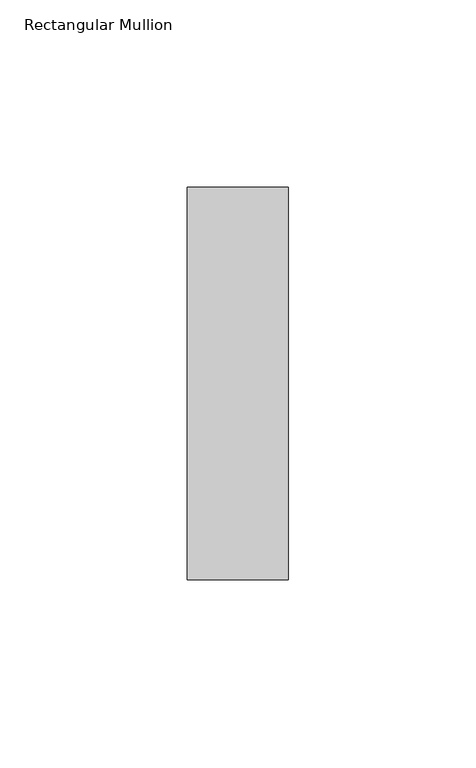
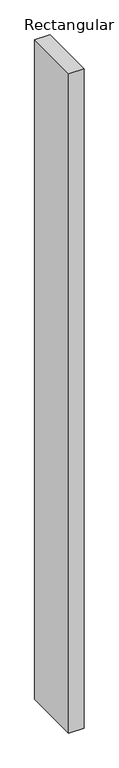
"""IFC4 building model written with IfcOpenShell, lengths in millimetres: member geometry, Rectangular Mullion."""

import ifcopenshell
import ifcopenshell.guid

model = None  # the IFC model being written
_history = None  # IfcOwnerHistory: only IFC2X3 demands one
_inside = {}  # id of a spatial element -> (the spatial element, [elements in it])
_under = {}  # id of a project, library or spatial element -> (it, [spatial elements below it])
_declared = {}  # id of a project -> (the project, [libraries it declares])
_typed = {}  # id of a type object -> (the type object, [elements of that type])
_made_of = {}  # id of a material, layer set ... -> (it, [elements and type objects made of it])


def new_model(schema):
    """Start an empty IFC model of exactly this schema.

    Asked for "IFC4X3", IfcOpenShell would pick the latest addendum, in which some entities
    have other attributes; the version numbers below select the first issue.
    IFC2X3 requires an IfcOwnerHistory on every rooted entity: one is made here for all.
    """
    global model, _history
    if schema == "IFC4X3":
        model = ifcopenshell.file(schema_version=(4, 3, 0, 0))
    else:
        model = ifcopenshell.file(schema=schema)
    _inside.clear()
    _under.clear()
    _declared.clear()
    _typed.clear()
    _made_of.clear()
    _history = None
    if model.schema == "IFC2X3":
        org = make("IfcOrganization", Name="unknown")
        user = make(
            "IfcPersonAndOrganization",
            ThePerson=make("IfcPerson", FamilyName="unknown"),
            TheOrganization=org,
        )
        app = make(
            "IfcApplication",
            ApplicationDeveloper=org,
            Version="unknown",
            ApplicationFullName="unknown",
            ApplicationIdentifier="unknown",
        )
        _history = make(
            "IfcOwnerHistory",
            OwningUser=user,
            OwningApplication=app,
            ChangeAction="ADDED",
            CreationDate=0,
        )
    return model


def make(cls, **values):
    """One entity of the class cls with the attributes given. An attribute that is None is left unset."""
    return model.create_entity(
        cls, **{name: value for name, value in values.items() if value is not None}
    )


def rooted(cls, **values):
    """An entity with a GlobalId (a new one), such as an element, a storey or a relation."""
    return make(cls, GlobalId=ifcopenshell.guid.new(), OwnerHistory=_history, **values)


def si_unit(unit_type, name, prefix=None):
    """IfcSIUnit, for example si_unit("LENGTHUNIT", "METRE", prefix="MILLI")."""
    return make("IfcSIUnit", UnitType=unit_type, Prefix=prefix, Name=name)


def assignment(units):
    """IfcUnitAssignment: the units of a project."""
    return None if units is None else make("IfcUnitAssignment", Units=units)


def point(xyz):
    """IfcCartesianPoint."""
    return None if xyz is None else make("IfcCartesianPoint", Coordinates=xyz)


def direction(xyz):
    """IfcDirection."""
    return None if xyz is None else make("IfcDirection", DirectionRatios=xyz)


def frame(location, z_axis=None, x_axis=None):
    """IfcAxis2Placement3D, a coordinate frame: its origin and axes. An axis left out is left unset."""
    return make(
        "IfcAxis2Placement3D",
        Location=point(location),
        Axis=direction(z_axis),
        RefDirection=direction(x_axis),
    )


def origin():
    """The frame at (0, 0, 0) with its axes left unset."""
    return frame((0.0, 0.0, 0.0))


def place(relative_to, where):
    """IfcLocalPlacement: puts the frame where relative to a parent placement (None: the world)."""
    return make(
        "IfcLocalPlacement", PlacementRelTo=relative_to, RelativePlacement=where
    )


def context(
    kind, dimensions, precision=None, world=None, true_north=None, identifier=None
):
    """IfcGeometricRepresentationContext, for example the 3D "Model" context."""
    return make(
        "IfcGeometricRepresentationContext",
        ContextIdentifier=identifier,
        ContextType=kind,
        CoordinateSpaceDimension=dimensions,
        Precision=precision,
        WorldCoordinateSystem=world,
        TrueNorth=true_north,
    )


def project(units=None, contexts=None):
    """IfcProject with its units and contexts."""
    return rooted(
        "IfcProject",
        Name="project",
        RepresentationContexts=contexts,
        UnitsInContext=assignment(units),
    )


def spatial(cls, under=None, at=None, **own):
    """A site, building, storey or space (cls), placed at a placement, below another one or the project."""
    s = rooted(cls, ObjectPlacement=at, **own)
    if under is not None:
        _under.setdefault(under.id(), (under, []))[1].append(s)
    return s


def polyline(points):
    """IfcPolyline through the points."""
    return make("IfcPolyline", Points=[point(p) for p in points])


def outline(outer, holes=None, kind="AREA"):
    """IfcArbitraryClosedProfileDef: a profile drawn as a closed curve; with holes, ...WithVoids."""
    if holes is None:
        return make("IfcArbitraryClosedProfileDef", ProfileType=kind, OuterCurve=outer)
    return make(
        "IfcArbitraryProfileDefWithVoids",
        ProfileType=kind,
        OuterCurve=outer,
        InnerCurves=holes,
    )


def extrude(swept, where, along, depth):
    """IfcExtrudedAreaSolid: the profile swept, set in the frame where, extruded along a direction by depth."""
    return make(
        "IfcExtrudedAreaSolid",
        SweptArea=swept,
        Position=where,
        ExtrudedDirection=direction(along),
        Depth=depth,
    )


def shape(context_of_items, identifier, shape_type, items):
    """IfcShapeRepresentation: the items that make up one representation, for example the "Body"."""
    return make(
        "IfcShapeRepresentation",
        ContextOfItems=context_of_items,
        RepresentationIdentifier=identifier,
        RepresentationType=shape_type,
        Items=items,
    )


def source(mapping_origin, context_of_items, identifier, shape_type, items):
    """IfcRepresentationMap: a shape defined once, which mapped items show again and again."""
    return make(
        "IfcRepresentationMap",
        MappingOrigin=mapping_origin,
        MappedRepresentation=shape(context_of_items, identifier, shape_type, items),
    )


def transform(
    local_origin,
    x_axis=None,
    y_axis=None,
    z_axis=None,
    scale=None,
    scale2=None,
    scale3=None,
    uniform=True,
):
    """IfcCartesianTransformationOperator3D, or its non-uniform kind. x_axis, y_axis, z_axis: its Axis1, 2, 3."""
    if uniform:
        return make(
            "IfcCartesianTransformationOperator3D",
            Axis1=direction(x_axis),
            Axis2=direction(y_axis),
            LocalOrigin=point(local_origin),
            Scale=scale,
            Axis3=direction(z_axis),
        )
    return make(
        "IfcCartesianTransformationOperator3DnonUniform",
        Axis1=direction(x_axis),
        Axis2=direction(y_axis),
        LocalOrigin=point(local_origin),
        Scale=scale,
        Axis3=direction(z_axis),
        Scale2=scale2,
        Scale3=scale3,
    )


def mapped(mapping_source, mapping_target):
    """IfcMappedItem: shows the shape of a source again, moved by a transform."""
    return make(
        "IfcMappedItem", MappingSource=mapping_source, MappingTarget=mapping_target
    )


def made_of(thing, what):
    """Note that an element or type object is made of a material, layer set ...; save() writes the relation."""
    if what is not None:
        _made_of.setdefault(what.id(), (what, []))[1].append(thing)
    return thing


def element(
    cls,
    number,
    at=None,
    inside=None,
    cuts=None,
    type_object=None,
    material=None,
    context=None,
    identifier="Body",
    shape_type=None,
    held_by="IfcProductDefinitionShape",
    body=None,
    shapes=None,
    **own,
):
    """One element of the class cls, such as IfcWall. Its Tag is "e" and its number.

    at: its placement. inside: the storey or other place that contains it. cuts: it is an
    opening in that element (IfcRelVoidsElement). A single representation is given by context,
    identifier, shape_type and body (its items); several are given by shapes. held_by: the class
    of the entity that holds the representations. save() writes the other relations.
    """
    e = rooted(cls, Tag="e%d" % number, ObjectPlacement=at, **own)
    if body is not None:
        shapes = [shape(context, identifier, shape_type, body)]
    if shapes is not None:
        e.Representation = make(held_by, Representations=shapes)
    if inside is not None:
        _inside.setdefault(inside.id(), (inside, []))[1].append(e)
    if cuts is not None:
        rooted(
            "IfcRelVoidsElement", RelatingBuildingElement=cuts, RelatedOpeningElement=e
        )
    if type_object is not None:
        _typed.setdefault(type_object.id(), (type_object, []))[1].append(e)
    return made_of(e, material)


def aggregate(whole, parts):
    """IfcRelAggregates: a whole, such as a stair, and the parts it consists of."""
    return rooted("IfcRelAggregates", RelatingObject=whole, RelatedObjects=parts)


def save(model, path):
    """Write the relations noted so far, then the file.

    IfcRelAggregates (storeys below a building ...), IfcRelContainedInSpatialStructure (elements
    in a storey), IfcRelDefinesByType, IfcRelAssociatesMaterial and IfcRelDeclares: one each for
    every whole, place, type object, material and project.
    """
    for whole, parts in _under.values():
        aggregate(whole, parts)
    for where, things in _inside.values():
        rooted(
            "IfcRelContainedInSpatialStructure",
            RelatedElements=things,
            RelatingStructure=where,
        )
    for kind, things in _typed.values():
        rooted("IfcRelDefinesByType", RelatedObjects=things, RelatingType=kind)
    for what, things in _made_of.values():
        rooted("IfcRelAssociatesMaterial", RelatedObjects=things, RelatingMaterial=what)
    for by, libraries in _declared.values():
        rooted("IfcRelDeclares", RelatingContext=by, RelatedDefinitions=libraries)
    model.write(path)


def rectangular_mullion_4202e443(model_context):
    return source(origin(), model_context, "Body", "SweptSolid", [
        extrude(outline(polyline([(-27.0, 52.3975), (0.0, 52.3975), (0.0, -52.3975), (-27.0, -52.3975), (-27.0, 52.3975)])), frame((0.0, 0.0, -1238.9961452), z_axis=(0.0, 0.0, 1.0), x_axis=(1.0, 0.0, 0.0)), (0.0, 0.0, 1.0), 1238.9961452),
    ])


if __name__ == "__main__":
    model = new_model("IFC4")
    model_context = context("Model", 3, world=origin())
    ifc_project = project(units=[si_unit("LENGTHUNIT", "METRE", prefix="MILLI")], contexts=[model_context])
    site = spatial("IfcSite", under=ifc_project)
    building = spatial("IfcBuilding", under=site)
    placement = place(None, origin())
    rectangular_mullion_shape = rectangular_mullion_4202e443(model_context)
    element("IfcMember", 1, ObjectType="Rectangular Mullion", at=placement, inside=building, context=model_context, shape_type="MappedRepresentation", body=[
        mapped(rectangular_mullion_shape, transform((0.0, 0.0, 0.0), x_axis=(1.0, 0.0, 0.0), y_axis=(0.0, 1.0, 0.0), z_axis=(0.0, 0.0, 1.0))),
    ])
    save(model, "model.ifc")
